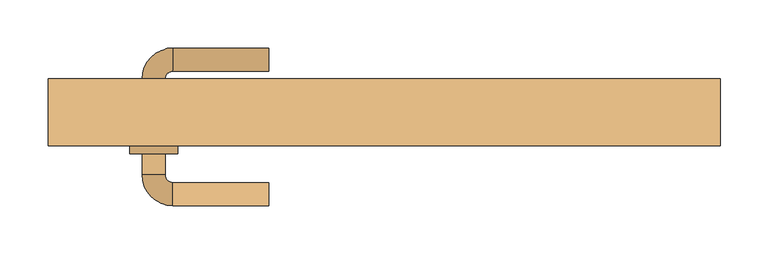
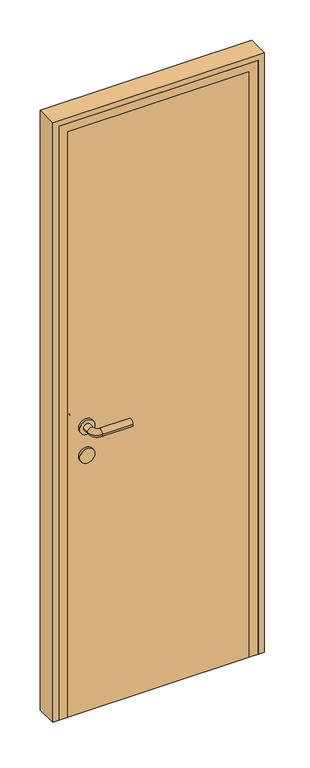
"""IFC4 building model written with IfcOpenShell, lengths in millimetres: door geometry."""

from ifc_helpers import new_model, si_unit, point, frame, frame_2d, origin, origin_with_axes, place, context, project, spatial, polyline, circle_curve, ellipse_curve, trimmed, segment, composite_curve, outline, extrude, faceted_brep, source, transform, mapped, element, save
from ifc_brep_helpers import plane_surface, cylinder_surface, revolved_surface, advanced_brep


def door_63ed8ec0(model_context):
    return source(origin(), model_context, "Body", "SolidModel", [
        advanced_brep(
        [(-120.0, -112.0, 1000.0), (-120.0, -88.0, 1000.0), (-220.0, -88.0, 1000.0), (-220.0, -112.0, 1000.0), (-228.0, -80.0, 1000.0), (-252.0, -80.0, 1000.0), (-252.0, 20.0, 1000.0), (-252.0, -2.0, 1000.0), (-228.0, -2.0, 1000.0), (-228.0, 20.0, 1000.0), (-228.0, -58.0, 1000.0), (-252.0, -58.0, 1000.0), (-220.0, 28.0, 1000.0), (-220.0, 52.0, 1000.0), (-120.0, 52.0, 1000.0), (-120.0, 28.0, 1000.0), (-265.0, -58.0, 1000.0), (-215.0, -58.0, 1000.0), (-265.0, -2.0, 1000.0), (-215.0, -2.0, 1000.0)],
        [
            (0, 1, circle_curve(frame((-120.0, -100.0, 1000.0), z_axis=(1.0, 0.0, 0.0), x_axis=(0.0, 1.0, 0.0)), 12.0)),
            (1, 0, circle_curve(frame((-120.0, -100.0, 1000.0), z_axis=(1.0, 0.0, 0.0), x_axis=(0.0, 1.0, 0.0)), 12.0)),
            (1, 2),
            (2, 3, circle_curve(frame((-220.0, -100.0, 1000.0), z_axis=(1.0, 0.0, 0.0), x_axis=(0.0, 1.0, 0.0)), 12.0)),
            (3, 0),
            (3, 2, circle_curve(frame((-220.0, -100.0, 1000.0), z_axis=(1.0, 0.0, 0.0), x_axis=(0.0, 1.0, 0.0)), 12.0)),
            (2, 4, circle_curve(frame((-220.0, -80.0, 1000.0), z_axis=(0.0, 0.0, -1.0), x_axis=(0.0, -1.0, 0.0)), 8.0)),
            (4, 5, circle_curve(frame((-240.0, -80.0, 1000.0), z_axis=(0.0, -1.0, 0.0), x_axis=(1.0, 0.0, 0.0)), 12.0)),
            (5, 3, circle_curve(frame((-220.0, -80.0, 1000.0), z_axis=(0.0, 0.0, 1.0), x_axis=(0.0, -1.0, 0.0)), 32.0)),
            (5, 4, circle_curve(frame((-240.0, -80.0, 1000.0), z_axis=(0.0, -1.0, 0.0), x_axis=(1.0, 0.0, 0.0)), 12.0)),
            (6, 7),
            (7, 8, circle_curve(frame((-240.0, -2.0, 1000.0), z_axis=(0.0, 1.0, 0.0), x_axis=(1.0, 0.0, 0.0)), 12.0)),
            (8, 9),
            (9, 6, circle_curve(frame((-240.0, 20.0, 1000.0), z_axis=(0.0, -1.0, 0.0), x_axis=(1.0, 0.0, 0.0)), 12.0)),
            (4, 10),
            (10, 11, circle_curve(frame((-240.0, -58.0, 1000.0), z_axis=(0.0, -1.0, 0.0), x_axis=(1.0, 0.0, 0.0)), 12.0)),
            (11, 5),
            (11, 10, circle_curve(frame((-240.0, -58.0, 1000.0), z_axis=(0.0, -1.0, 0.0), x_axis=(1.0, 0.0, 0.0)), 12.0)),
            (8, 7, circle_curve(frame((-240.0, -2.0, 1000.0), z_axis=(0.0, 1.0, 0.0), x_axis=(1.0, 0.0, 0.0)), 12.0)),
            (6, 9, circle_curve(frame((-240.0, 20.0, 1000.0), z_axis=(0.0, -1.0, 0.0), x_axis=(1.0, 0.0, 0.0)), 12.0)),
            (9, 12, circle_curve(frame((-220.0, 20.0, 1000.0), z_axis=(0.0, 0.0, -1.0), x_axis=(-1.0, 0.0, 0.0)), 8.0)),
            (12, 13, circle_curve(frame((-220.0, 40.0, 1000.0), z_axis=(-1.0, 0.0, 0.0), x_axis=(0.0, -1.0, 0.0)), 12.0)),
            (13, 6, circle_curve(frame((-220.0, 20.0, 1000.0), z_axis=(0.0, 0.0, 1.0), x_axis=(-1.0, 0.0, 0.0)), 32.0)),
            (13, 12, circle_curve(frame((-220.0, 40.0, 1000.0), z_axis=(-1.0, 0.0, 0.0), x_axis=(0.0, -1.0, 0.0)), 12.0)),
            (14, 15, circle_curve(frame((-120.0, 40.0, 1000.0), z_axis=(1.0, 0.0, 0.0), x_axis=(0.0, -1.0, 0.0)), 12.0)),
            (15, 14, circle_curve(frame((-120.0, 40.0, 1000.0), z_axis=(1.0, 0.0, 0.0), x_axis=(0.0, -1.0, 0.0)), 12.0)),
            (12, 15),
            (14, 13),
            (16, 17, circle_curve(frame((-240.0, -58.0, 1000.0), z_axis=(0.0, -1.0, 0.0), x_axis=(1.0, 0.0, 0.0)), 25.0)),
            (17, 16, circle_curve(frame((-240.0, -58.0, 1000.0), z_axis=(0.0, -1.0, 0.0), x_axis=(1.0, 0.0, 0.0)), 25.0)),
            (18, 19, circle_curve(frame((-240.0, -2.0, 1000.0), z_axis=(0.0, 1.0, 0.0), x_axis=(1.0, 0.0, 0.0)), 25.0)),
            (19, 18, circle_curve(frame((-240.0, -2.0, 1000.0), z_axis=(0.0, 1.0, 0.0), x_axis=(1.0, 0.0, 0.0)), 25.0)),
            (16, 18),
            (19, 17),
        ],
        [
            plane_surface(frame((-120.0, -100.0, 1000.0), z_axis=(1.0, 0.0, 0.0), x_axis=(0.0, 0.0, 1.0))),
            cylinder_surface(frame((-120.0, -100.0, 1000.0), z_axis=(1.0, 0.0, 0.0), x_axis=(0.0, 1.0, 0.0)), 12.0),
            revolved_surface(trimmed(ellipse_curve(frame((-220.0, -100.0, 1000.0), z_axis=(-1.0, 0.0, 0.0), x_axis=(0.0, 1.0, 0.0)), 12.0, 12.0), [point((-220.0, -112.0, 1000.0))], [point((-220.0, -88.0, 1000.0))], True, "CARTESIAN"), (-220.0, -80.0, 1000.0), (0.0, 0.0, 1.0)),
            revolved_surface(trimmed(ellipse_curve(frame((-220.0, -100.0, 1000.0), z_axis=(-1.0, 0.0, 0.0), x_axis=(0.0, 1.0, 0.0)), 12.0, 12.0), [point((-220.0, -88.0, 1000.0))], [point((-220.0, -112.0, 1000.0))], True, "CARTESIAN"), (-220.0, -80.0, 1000.0), (0.0, 0.0, 1.0)),
            cylinder_surface(frame((-240.0, -80.0, 1000.0), z_axis=(0.0, -1.0, 0.0), x_axis=(1.0, 0.0, 0.0)), 12.0),
            revolved_surface(trimmed(ellipse_curve(frame((-240.0, 20.0, 1000.0), z_axis=(0.0, 1.0, 0.0), x_axis=(1.0, 0.0, 0.0)), 12.0, 12.0), [point((-252.0, 20.0, 1000.0))], [point((-228.0, 20.0, 1000.0))], True, "CARTESIAN"), (-220.0, 20.0, 1000.0), (0.0, 0.0, 1.0)),
            revolved_surface(trimmed(ellipse_curve(frame((-240.0, 20.0, 1000.0), z_axis=(0.0, 1.0, 0.0), x_axis=(1.0, 0.0, 0.0)), 12.0, 12.0), [point((-228.0, 20.0, 1000.0))], [point((-252.0, 20.0, 1000.0))], True, "CARTESIAN"), (-220.0, 20.0, 1000.0), (0.0, 0.0, 1.0)),
            plane_surface(frame((-120.0, 40.0, 1000.0), z_axis=(1.0, 0.0, 0.0), x_axis=(0.0, 0.0, 1.0))),
            cylinder_surface(frame((-220.0, 40.0, 1000.0), z_axis=(-1.0, 0.0, 0.0), x_axis=(0.0, -1.0, 0.0)), 12.0),
            plane_surface(frame((-215.0, -58.0, 1000.0), z_axis=(0.0, -1.0, 0.0), x_axis=(0.0, 0.0, -1.0))),
            plane_surface(frame((-215.0, -2.0, 1000.0), z_axis=(0.0, 1.0, 0.0), x_axis=(0.0, 0.0, 1.0))),
            cylinder_surface(frame((-240.0, -58.0, 1000.0), z_axis=(0.0, 1.0, 0.0), x_axis=(1.0, 0.0, 0.0)), 25.0),
        ],
        [
            (0, [[1, 2]]),
            (1, [[3, 4, 5, -2]]),
            (1, [[-5, 6, -3, -1]]),
            (2, [[7, 8, 9, -4]]),
            (3, [[-9, 10, -7, -6]]),
            (4, [[11, 12, 13, 14]]),
            (4, [[15, 16, 17, -8]]),
            (4, [[-17, 18, -15, -10]]),
            (4, [[-13, 19, -11, 20]]),
            (5, [[21, 22, 23, -14]]),
            (6, [[-23, 24, -21, -20]]),
            (7, [[25, 26]]),
            (8, [[27, -25, 28, -22]]),
            (8, [[-28, -26, -27, -24]]),
            (9, [[29, 30], [-18, -16]]),
            (10, [[31, 32], [-19, -12]]),
            (11, [[33, -32, 34, -29]]),
            (11, [[-34, -31, -33, -30]]),
        ],
    ),
        extrude(outline(composite_curve([segment(trimmed(circle_curve(frame_2d((900.0, -240.0)), 25.0), [point((900.0, -265.0))], [point((900.0, -215.0))], False, "CARTESIAN"), True, "CONTINUOUS"), segment(trimmed(circle_curve(frame_2d((900.0, -240.0)), 25.0), [point((900.0, -215.0))], [point((900.0, -265.0))], False, "CARTESIAN"), True, "CONTINUOUS")], self_intersect=False)), frame((0.0, -58.0, 0.0), z_axis=(0.0, 1.0, 0.0), x_axis=(0.0, 0.0, 1.0)), (0.0, 0.0, 1.0), 56.0),
        extrude(outline(polyline([(300.0, -10.0), (300.0, -50.0), (-300.0, -50.0), (-300.0, -10.0), (300.0, -10.0)])), origin_with_axes(), (0.0, 0.0, 1.0), 2050.0),
        extrude(outline(polyline([(0.0, 350.0), (2100.0, 350.0), (2100.0, -350.0), (0.0, -350.0), (0.0, -330.0), (2080.0, -330.0), (2080.0, 330.0), (0.0, 330.0), (0.0, 350.0)])), frame((0.0, -50.0, 0.0), z_axis=(0.0, 1.0, 0.0), x_axis=(0.0, 0.0, 1.0)), (0.0, 0.0, 1.0), 70.0),
        faceted_brep([(-330.0, 20.0, 0.0), (-290.0, 20.0, 0.0), (-290.0, -10.0, 0.0), (-300.0, -10.0, 0.0), (-300.0, -50.0, 0.0), (-330.0, -50.0, 0.0), (-330.0, -50.0, 2080.0), (-330.0, 20.0, 2080.0), (-300.0, -50.0, 2050.0), (300.0, -50.0, 2050.0), (300.0, -50.0, 0.0), (330.0, -50.0, 0.0), (330.0, -50.0, 2080.0), (-300.0, -10.0, 2050.0), (-290.0, -10.0, 2040.0), (290.0, -10.0, 2040.0), (290.0, -10.0, 0.0), (300.0, -10.0, 0.0), (300.0, -10.0, 2050.0), (-290.0, 20.0, 2040.0), (330.0, 20.0, 2080.0), (330.0, 20.0, 0.0), (290.0, 20.0, 0.0), (290.0, 20.0, 2040.0)], [[[0, 1, 2, 3, 4, 5]], [[5, 6, 7, 0]], [[4, 8, 9, 10, 11, 12, 6, 5]], [[3, 13, 8, 4]], [[2, 14, 15, 16, 17, 18, 13, 3]], [[1, 19, 14, 2]], [[0, 7, 20, 21, 22, 23, 19, 1]], [[6, 12, 20, 7]], [[13, 18, 9, 8]], [[19, 23, 15, 14]], [[21, 11, 10, 17, 16, 22]], [[12, 11, 21, 20]], [[18, 17, 10, 9]], [[23, 22, 16, 15]]]),
    ])


if __name__ == "__main__":
    model = new_model("IFC4")
    model_context = context("Model", 3, world=origin())
    ifc_project = project(units=[si_unit("LENGTHUNIT", "METRE", prefix="MILLI")], contexts=[model_context])
    site = spatial("IfcSite", under=ifc_project)
    building = spatial("IfcBuilding", under=site)
    placement = place(None, origin())
    door_shape = door_63ed8ec0(model_context)
    element("IfcDoor", 1, at=placement, inside=building, context=model_context, shape_type="MappedRepresentation", body=[
        mapped(door_shape, transform((0.0, 0.0, 0.0), x_axis=(1.0, 0.0, 0.0), y_axis=(0.0, 1.0, 0.0), z_axis=(0.0, 0.0, 1.0))),
    ])
    save(model, "model.ifc")
